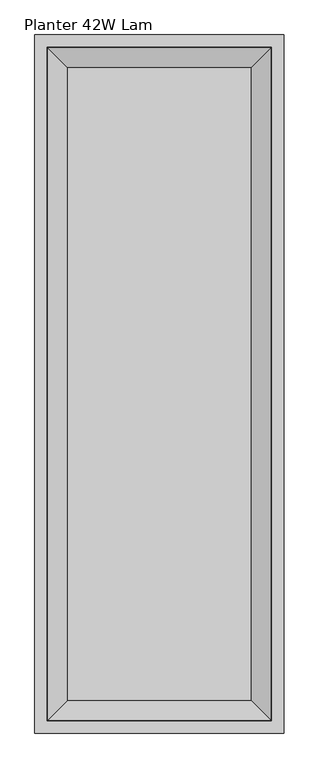
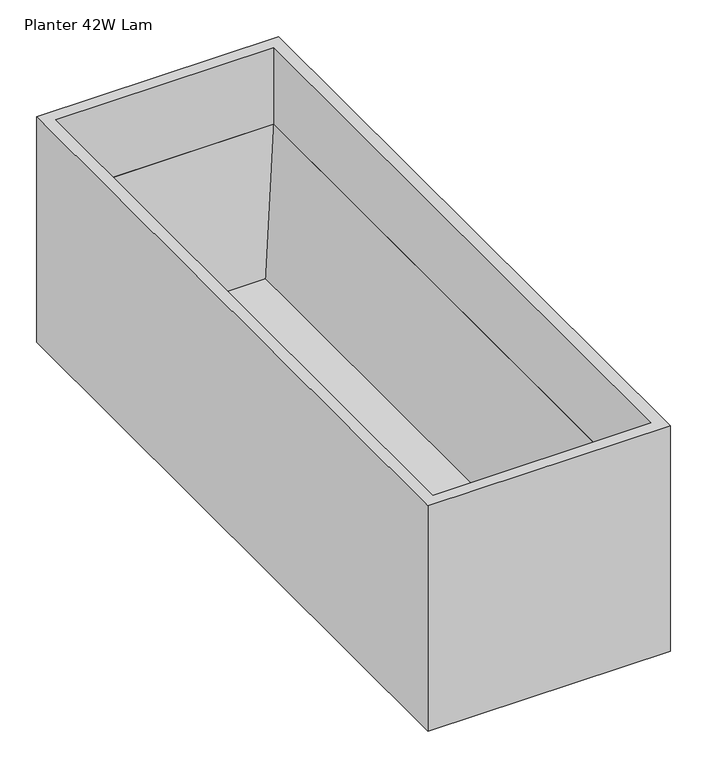
"""IFC4 building model written with IfcOpenShell, lengths in millimetres: furniture geometry, Planter 42W Lam."""

from ifc_helpers import new_model, si_unit, origin, place, context, project, spatial, faceted_brep, source, transform, mapped, element, save


def planter_42w_lam_9fef09a2(model_context):
    return source(origin(), model_context, "Body", "Brep", [
        faceted_brep([(381.0, 0.0, 374.6499879), (0.0, 0.0, 374.6499879), (0.0, -1066.8, 374.6499879), (381.0, -1066.8, 374.6499879), (19.05, -19.05, 374.6499879), (361.95, -19.05, 374.6499879), (361.95, -1047.75, 374.6499879), (19.05, -1047.75, 374.6499879), (381.0, 0.0, 0.0), (381.0, -1066.8, 0.0), (0.0, -1066.8, 0.0), (0.0, 0.0, 0.0), (361.95, -19.05, 247.65), (19.05, -19.05, 247.65), (19.05, -1047.75, 247.65), (361.95, -1047.75, 247.65), (19.8119993, -19.8119993, 247.65), (361.1879826, -19.8119993, 247.65), (361.1879826, -1046.9879826, 247.65), (19.8119993, -1046.9879826, 247.65), (331.0922542, -49.9077595, 19.8119993), (49.9077595, -49.9077595, 19.8119993), (49.9077595, -1016.8922178, 19.8119993), (331.0922542, -1016.8922178, 19.8119993)], [[[0, 1, 2, 3], [4, 5, 6, 7]], [[8, 9, 10, 11]], [[1, 0, 8, 11]], [[2, 1, 11, 10]], [[3, 2, 10, 9]], [[0, 3, 9, 8]], [[12, 13, 14, 15], [16, 17, 18, 19]], [[13, 12, 5, 4]], [[14, 13, 4, 7]], [[15, 14, 7, 6]], [[12, 15, 6, 5]], [[20, 21, 22, 23]], [[21, 20, 17, 16]], [[22, 21, 16, 19]], [[23, 22, 19, 18]], [[20, 23, 18, 17]]]),
    ])


if __name__ == "__main__":
    model = new_model("IFC4")
    model_context = context("Model", 3, world=origin())
    ifc_project = project(units=[si_unit("LENGTHUNIT", "METRE", prefix="MILLI")], contexts=[model_context])
    site = spatial("IfcSite", under=ifc_project)
    building = spatial("IfcBuilding", under=site)
    placement = place(None, origin())
    planter_42w_lam_shape = planter_42w_lam_9fef09a2(model_context)
    element("IfcFurniture", 1, ObjectType="Planter 42W Lam", at=placement, inside=building, context=model_context, shape_type="MappedRepresentation", body=[
        mapped(planter_42w_lam_shape, transform((0.0, 0.0, 0.0), x_axis=(1.0, 0.0, 0.0), y_axis=(0.0, 1.0, 0.0), z_axis=(0.0, 0.0, 1.0))),
    ])
    save(model, "model.ifc")
